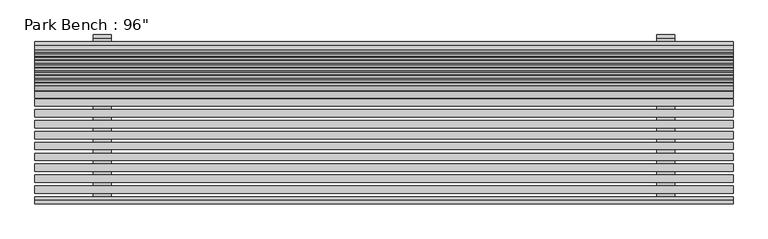
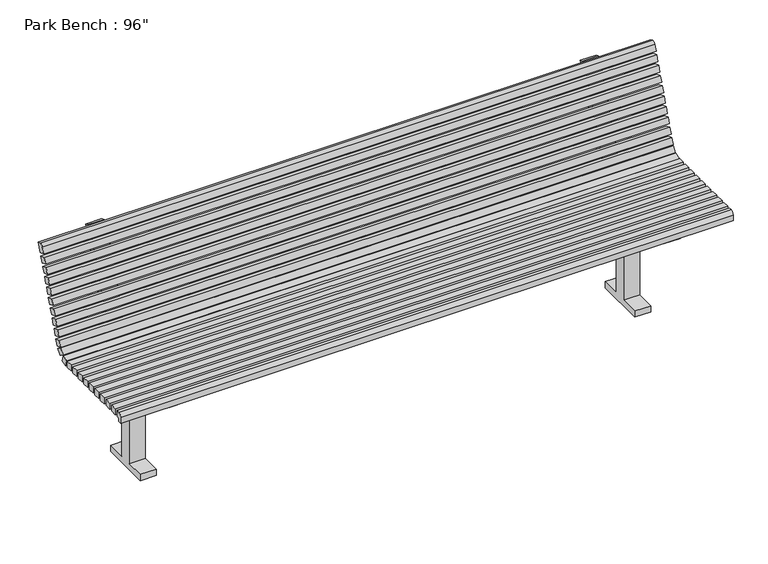
"""IFC4 building model written with IfcOpenShell, lengths in millimetres: geographic element geometry."""

from ifc_helpers import new_model, si_unit, point, frame, frame_2d, origin, place, context, project, spatial, polyline, circle_curve, trimmed, segment, composite_curve, outline, extrude, source, transform, mapped, element, save


def geographic_element_17864a37(model_context):
    return source(origin(), model_context, "Body", "SweptSolid", [
        extrude(outline(composite_curve([segment(polyline([(-101.6, 25.4), (-25.4, 25.4), (-25.4, 431.8), (-304.8, 431.8), (-304.8, 457.2), (57.1368213, 457.2)]), True, "CONTINUOUS"), segment(trimmed(circle_curve(frame_2d((57.1368213, 520.7)), 63.5), [point((57.1368213, 457.2))], [point((116.8073027, 498.9817209))], True, "CARTESIAN"), True, "CONTINUOUS"), segment(polyline([(116.8073027, 498.9817209), (244.9406421, 851.0251774)]), True, "CONTINUOUS"), segment(trimmed(circle_curve(frame_2d((256.8747384, 846.6815216)), 12.7), [point((244.9406421, 851.0251774))], [point((261.2183942, 858.6156178))], False, "CARTESIAN"), True, "CONTINUOUS"), segment(polyline([(261.2183942, 858.6156178), (273.1524905, 854.271962), (140.6754953, 490.2944093)]), True, "CONTINUOUS"), segment(trimmed(circle_curve(frame_2d((57.1368213, 520.7)), 88.9), [point((140.6754953, 490.2944093))], [point((57.1368213, 431.8))], False, "CARTESIAN"), True, "CONTINUOUS"), segment(polyline([(57.1368213, 431.8), (25.4, 431.8), (25.4, 25.4), (101.6, 25.4), (101.6, 0.0), (-101.6, 0.0), (-101.6, 25.4)]), True, "CONTINUOUS")], self_intersect=False)), frame((-1016.0, 0.0, 0.0), z_axis=(1.0, 0.0, 0.0), x_axis=(0.0, 1.0, 0.0)), (0.0, 0.0, 1.0), 63.8916859),
        extrude(outline(composite_curve([segment(polyline([(-101.6, 25.4), (-25.4, 25.4), (-25.4, 431.8), (-304.8, 431.8), (-304.8, 457.2), (57.1368213, 457.2)]), True, "CONTINUOUS"), segment(trimmed(circle_curve(frame_2d((57.1368213, 520.7)), 63.5), [point((57.1368213, 457.2))], [point((116.8073027, 498.9817209))], True, "CARTESIAN"), True, "CONTINUOUS"), segment(polyline([(116.8073027, 498.9817209), (244.9406421, 851.0251774)]), True, "CONTINUOUS"), segment(trimmed(circle_curve(frame_2d((256.8747384, 846.6815216)), 12.7), [point((244.9406421, 851.0251774))], [point((261.2183942, 858.6156178))], False, "CARTESIAN"), True, "CONTINUOUS"), segment(polyline([(261.2183942, 858.6156178), (273.1524905, 854.271962), (140.6754953, 490.2944093)]), True, "CONTINUOUS"), segment(trimmed(circle_curve(frame_2d((57.1368213, 520.7)), 88.9), [point((140.6754953, 490.2944093))], [point((57.1368213, 431.8))], False, "CARTESIAN"), True, "CONTINUOUS"), segment(polyline([(57.1368213, 431.8), (25.4, 431.8), (25.4, 25.4), (101.6, 25.4), (101.6, 0.0), (-101.6, 0.0), (-101.6, 25.4)]), True, "CONTINUOUS")], self_intersect=False)), frame((953.1736591, 0.0, 0.0), z_axis=(1.0, 0.0, 0.0), x_axis=(0.0, 1.0, 0.0)), (0.0, 0.0, 1.0), 62.8263409),
        extrude(outline(polyline([(1219.2, -255.4337104), (1219.2, -280.8337104), (-1219.2, -280.8337104), (-1219.2, -255.4337104), (1219.2, -255.4337104)])), frame((0.0, 0.0, 457.2), z_axis=(0.0, 0.0, 1.0), x_axis=(1.0, 0.0, 0.0)), (0.0, 0.0, 1.0), 25.4),
        extrude(outline(polyline([(1219.2, -217.3337104), (1219.2, -242.7337104), (-1219.2, -242.7337104), (-1219.2, -217.3337104), (1219.2, -217.3337104)])), frame((0.0, 0.0, 457.2), z_axis=(0.0, 0.0, 1.0), x_axis=(1.0, 0.0, 0.0)), (0.0, 0.0, 1.0), 25.4),
        extrude(outline(polyline([(1219.2, -179.2337104), (1219.2, -204.6337104), (-1219.2, -204.6337104), (-1219.2, -179.2337104), (1219.2, -179.2337104)])), frame((0.0, 0.0, 457.2), z_axis=(0.0, 0.0, 1.0), x_axis=(1.0, 0.0, 0.0)), (0.0, 0.0, 1.0), 25.4),
        extrude(outline(polyline([(1219.2, -141.1337104), (1219.2, -166.5337104), (-1219.2, -166.5337104), (-1219.2, -141.1337104), (1219.2, -141.1337104)])), frame((0.0, 0.0, 457.2), z_axis=(0.0, 0.0, 1.0), x_axis=(1.0, 0.0, 0.0)), (0.0, 0.0, 1.0), 25.4),
        extrude(outline(polyline([(1219.2, -103.0337104), (1219.2, -128.4337104), (-1219.2, -128.4337104), (-1219.2, -103.0337104), (1219.2, -103.0337104)])), frame((0.0, 0.0, 457.2), z_axis=(0.0, 0.0, 1.0), x_axis=(1.0, 0.0, 0.0)), (0.0, 0.0, 1.0), 25.4),
        extrude(outline(polyline([(1219.2, -64.9337104), (1219.2, -90.3337104), (-1219.2, -90.3337104), (-1219.2, -64.9337104), (1219.2, -64.9337104)])), frame((0.0, 0.0, 457.2), z_axis=(0.0, 0.0, 1.0), x_axis=(1.0, 0.0, 0.0)), (0.0, 0.0, 1.0), 25.4),
        extrude(outline(polyline([(1219.2, -26.8337104), (1219.2, -52.2337104), (-1219.2, -52.2337104), (-1219.2, -26.8337104), (1219.2, -26.8337104)])), frame((0.0, 0.0, 457.2), z_axis=(0.0, 0.0, 1.0), x_axis=(1.0, 0.0, 0.0)), (0.0, 0.0, 1.0), 25.4),
        extrude(outline(polyline([(1219.2, 11.2662896), (1219.2, -14.1337104), (-1219.2, -14.1337104), (-1219.2, 11.2662896), (1219.2, 11.2662896)])), frame((0.0, 0.0, 457.2), z_axis=(0.0, 0.0, 1.0), x_axis=(1.0, 0.0, 0.0)), (0.0, 0.0, 1.0), 25.4),
        extrude(outline(polyline([(1219.2, 49.3662896), (1219.2, 23.9662896), (-1219.2, 23.9662896), (-1219.2, 49.3662896), (1219.2, 49.3662896)])), frame((0.0, 0.0, 457.2), z_axis=(0.0, 0.0, 1.0), x_axis=(1.0, 0.0, 0.0)), (0.0, 0.0, 1.0), 25.4),
        extrude(outline(composite_curve([segment(polyline([(-304.8, 457.2), (-304.8, 444.5), (-318.9337104, 444.5), (-318.9337104, 468.3125)]), True, "CONTINUOUS"), segment(trimmed(circle_curve(frame_2d((-304.6462104, 468.3125)), 14.2875), [point((-318.9337104, 468.3125))], [point((-304.6462104, 482.6))], False, "CARTESIAN"), True, "CONTINUOUS"), segment(polyline([(-304.6462104, 482.6), (-293.5337104, 482.6), (-293.5337104, 457.2), (-304.8, 457.2)]), True, "CONTINUOUS")], self_intersect=False)), frame((-1219.2, 0.0, 0.0), z_axis=(1.0, 0.0, 0.0), x_axis=(0.0, 1.0, 0.0)), (0.0, 0.0, 1.0), 2438.4),
        extrude(outline(polyline([(0.0, -25.4), (0.0, 0.0), (2438.4, 0.0), (2438.4, -25.4), (0.0, -25.4)])), frame((1219.2, 121.2738625, 585.5181247), z_axis=(0.0, 0.342020143325687, 0.9396926207859018), x_axis=(-1.0, 0.0, 0.0)), (0.0, 0.0, 1.0), 25.4),
        extrude(outline(polyline([(0.0, -25.4), (0.0, 0.0), (2438.4, 0.0), (2438.4, -25.4), (0.0, -25.4)])), frame((1219.2, 134.30483, 621.3204136), z_axis=(0.0, 0.34202014332568254, 0.9396926207859034), x_axis=(-1.0, 0.0, 0.0)), (0.0, 0.0, 1.0), 25.4),
        extrude(outline(polyline([(0.0, -25.3999999), (0.0, 0.0), (2438.4, 0.0), (2438.4, -25.3999999), (0.0, -25.3999999)])), frame((1219.2, 95.2119276, 513.913547), z_axis=(0.0, 0.34202014332568254, 0.9396926207859034), x_axis=(-1.0, 0.0, 0.0)), (0.0, 0.0, 1.0), 25.4),
        extrude(outline(polyline([(0.0, -25.4000001), (0.0, 0.0), (2438.4, 0.0), (2438.4, -25.4000001), (0.0, -25.4000001)])), frame((1219.2, 108.242895, 549.7158359), z_axis=(0.0, 0.34202014332567804, 0.9396926207859051), x_axis=(-1.0, 0.0, 0.0)), (0.0, 0.0, 1.0), 25.4),
        extrude(outline(polyline([(0.0, -25.4), (0.0, 0.0), (2438.4, 0.0), (2438.4, -25.4), (0.0, -25.4)])), frame((1219.2, 173.3977323, 728.7272801), z_axis=(0.0, 0.34202014332568337, 0.9396926207859031), x_axis=(-1.0, 0.0, 0.0)), (0.0, 0.0, 1.0), 25.4),
        extrude(outline(polyline([(0.0, -25.4000001), (0.0, 0.0), (2438.4, 0.0), (2438.4, -25.4000001), (0.0, -25.4000001)])), frame((1219.2, 186.4286998, 764.529569), z_axis=(0.0, 0.3420201433256829, 0.9396926207859032), x_axis=(-1.0, 0.0, 0.0)), (0.0, 0.0, 1.0), 25.4),
        extrude(outline(polyline([(0.0, -25.4), (0.0, 0.0), (2438.4, 0.0), (2438.4, -25.4), (0.0, -25.4)])), frame((1219.2, 147.3357974, 657.1227024), z_axis=(0.0, 0.3420201433256776, 0.9396926207859052), x_axis=(-1.0, 0.0, 0.0)), (0.0, 0.0, 1.0), 25.4),
        extrude(outline(polyline([(0.0, -25.4), (0.0, 0.0), (2438.4, 0.0), (2438.4, -25.4), (0.0, -25.4)])), frame((1219.2, 160.3667649, 692.9249913), z_axis=(0.0, 0.34202014332568254, 0.9396926207859034), x_axis=(-1.0, 0.0, 0.0)), (0.0, 0.0, 1.0), 25.4),
        extrude(outline(polyline([(0.0, -25.3999999), (0.0, 0.0), (2438.4, 0.0), (2438.4, -25.3999999), (0.0, -25.3999999)])), frame((1219.2, 199.4596673, 800.3318578), z_axis=(0.0, 0.3420201433256774, 0.9396926207859052), x_axis=(-1.0, 0.0, 0.0)), (0.0, 0.0, 1.0), 25.4),
        extrude(outline(composite_curve([segment(polyline([(249.3897948, 863.2491239), (236.3588273, 827.4468351), (212.4906347, 836.1341467), (221.1779464, 860.0023393)]), True, "CONTINUOUS"), segment(trimmed(circle_curve(frame_2d((233.1120426, 855.6586834)), 12.7), [point((221.1779464, 860.0023393))], [point((237.4556985, 867.5927797))], False, "CARTESIAN"), True, "CONTINUOUS"), segment(polyline([(237.4556985, 867.5927797), (249.3897948, 863.2491239)]), True, "CONTINUOUS")], self_intersect=False)), frame((-1219.2, 0.0, 0.0), z_axis=(1.0, 0.0, 0.0), x_axis=(0.0, 1.0, 0.0)), (0.0, 0.0, 1.0), 2438.4),
        extrude(outline(polyline([(0.0, -25.4), (0.0, 0.0), (2438.4, 0.0), (2438.4, -25.4), (0.0, -25.4)])), frame((1219.2, 78.7855779, 490.7267336), z_axis=(0.0, 0.5735764363510742, 0.8191520442889721), x_axis=(-1.0, 0.0, 0.0)), (0.0, 0.0, 1.0), 25.4),
        extrude(outline(polyline([(0.0, -25.4), (0.0, 0.0), (2438.4, 0.0), (2438.4, -25.4), (0.0, -25.4)])), frame((1219.2, 59.0817015, 457.2297909), z_axis=(0.0, -0.2588190451024684, 0.9659258262890824), x_axis=(-1.0, 0.0, 0.0)), (0.0, 0.0, 1.0), 25.4),
    ])


if __name__ == "__main__":
    model = new_model("IFC4")
    model_context = context("Model", 3, world=origin())
    ifc_project = project(units=[si_unit("LENGTHUNIT", "METRE", prefix="MILLI")], contexts=[model_context])
    site = spatial("IfcSite", under=ifc_project)
    building = spatial("IfcBuilding", under=site)
    placement = place(None, origin())
    geographic_element_shape = geographic_element_17864a37(model_context)
    element("IfcGeographicElement", 1, ObjectType="Park Bench : 96\"", at=placement, inside=building, context=model_context, shape_type="MappedRepresentation", body=[
        mapped(geographic_element_shape, transform((0.0, 0.0, 0.0), x_axis=(1.0, 0.0, 0.0), y_axis=(0.0, 1.0, 0.0), z_axis=(0.0, 0.0, 1.0))),
    ])
    save(model, "model.ifc")
